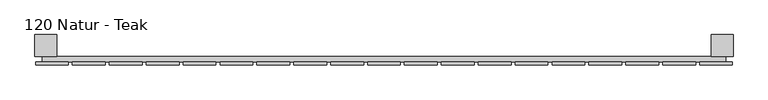
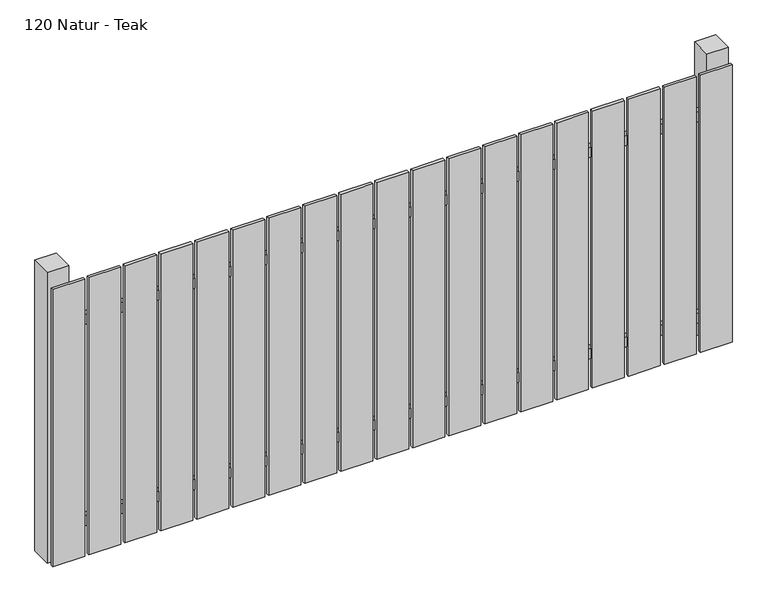
"""IFC4 building model written with IfcOpenShell, lengths in millimetres: railing geometry, 120 Natur - Teak."""

from ifc_helpers import new_model, si_unit, frame, origin, origin_with_axes, place, context, project, spatial, polyline, outline, extrude, source, transform, mapped, element, save


def railing_120_natur_teak_fbdc5f5d(model_context):
    return source(origin(), model_context, "Body", "SweptSolid", [
        extrude(outline(polyline([(11087.4299228, -88939.0267127), (11087.4299228, -88919.0267127), (13587.4299228, -88919.0267127), (13587.4299228, -88939.0267127), (11087.4299228, -88939.0267127)])), frame((0.0, 0.0, 110.0), z_axis=(0.0, 0.0, 1.0), x_axis=(1.0, 0.0, 0.0)), (0.0, 0.0, 1.0), 40.0),
        extrude(outline(polyline([(11087.4299228, -88939.0267127), (11087.4299228, -88919.0267127), (13587.4299228, -88919.0267127), (13587.4299228, -88939.0267127), (11087.4299228, -88939.0267127)])), frame((0.0, 0.0, 910.0), z_axis=(0.0, 0.0, 1.0), x_axis=(1.0, 0.0, 0.0)), (0.0, 0.0, 1.0), 40.0),
        extrude(outline(polyline([(13492.4299228, -88950.5267127), (13492.4299228, -88939.5267127), (13612.4299228, -88939.5267127), (13612.4299228, -88950.5267127), (13492.4299228, -88950.5267127)])), origin_with_axes(), (0.0, 0.0, 1.0), 1100.0),
        extrude(outline(polyline([(13357.4299228, -88950.5267127), (13357.4299228, -88939.5267127), (13477.4299228, -88939.5267127), (13477.4299228, -88950.5267127), (13357.4299228, -88950.5267127)])), origin_with_axes(), (0.0, 0.0, 1.0), 1100.0),
        extrude(outline(polyline([(13222.4299228, -88950.5267127), (13222.4299228, -88939.5267127), (13342.4299228, -88939.5267127), (13342.4299228, -88950.5267127), (13222.4299228, -88950.5267127)])), origin_with_axes(), (0.0, 0.0, 1.0), 1100.0),
        extrude(outline(polyline([(13087.4299228, -88950.5267127), (13087.4299228, -88939.5267127), (13207.4299228, -88939.5267127), (13207.4299228, -88950.5267127), (13087.4299228, -88950.5267127)])), origin_with_axes(), (0.0, 0.0, 1.0), 1100.0),
        extrude(outline(polyline([(12952.4299228, -88950.5267127), (12952.4299228, -88939.5267127), (13072.4299228, -88939.5267127), (13072.4299228, -88950.5267127), (12952.4299228, -88950.5267127)])), origin_with_axes(), (0.0, 0.0, 1.0), 1100.0),
        extrude(outline(polyline([(12817.4299228, -88950.5267127), (12817.4299228, -88939.5267127), (12937.4299228, -88939.5267127), (12937.4299228, -88950.5267127), (12817.4299228, -88950.5267127)])), origin_with_axes(), (0.0, 0.0, 1.0), 1100.0),
        extrude(outline(polyline([(12682.4299228, -88950.5267127), (12682.4299228, -88939.5267127), (12802.4299228, -88939.5267127), (12802.4299228, -88950.5267127), (12682.4299228, -88950.5267127)])), origin_with_axes(), (0.0, 0.0, 1.0), 1100.0),
        extrude(outline(polyline([(12547.4299228, -88950.5267127), (12547.4299228, -88939.5267127), (12667.4299228, -88939.5267127), (12667.4299228, -88950.5267127), (12547.4299228, -88950.5267127)])), origin_with_axes(), (0.0, 0.0, 1.0), 1100.0),
        extrude(outline(polyline([(12412.4299228, -88950.5267127), (12412.4299228, -88939.5267127), (12532.4299228, -88939.5267127), (12532.4299228, -88950.5267127), (12412.4299228, -88950.5267127)])), origin_with_axes(), (0.0, 0.0, 1.0), 1100.0),
        extrude(outline(polyline([(12277.4299228, -88950.5267127), (12277.4299228, -88939.5267127), (12397.4299228, -88939.5267127), (12397.4299228, -88950.5267127), (12277.4299228, -88950.5267127)])), origin_with_axes(), (0.0, 0.0, 1.0), 1100.0),
        extrude(outline(polyline([(12142.4299228, -88950.5267127), (12142.4299228, -88939.5267127), (12262.4299228, -88939.5267127), (12262.4299228, -88950.5267127), (12142.4299228, -88950.5267127)])), origin_with_axes(), (0.0, 0.0, 1.0), 1100.0),
        extrude(outline(polyline([(12007.4299228, -88950.5267127), (12007.4299228, -88939.5267127), (12127.4299228, -88939.5267127), (12127.4299228, -88950.5267127), (12007.4299228, -88950.5267127)])), origin_with_axes(), (0.0, 0.0, 1.0), 1100.0),
        extrude(outline(polyline([(11872.4299228, -88950.5267127), (11872.4299228, -88939.5267127), (11992.4299228, -88939.5267127), (11992.4299228, -88950.5267127), (11872.4299228, -88950.5267127)])), origin_with_axes(), (0.0, 0.0, 1.0), 1100.0),
        extrude(outline(polyline([(11737.4299228, -88950.5267127), (11737.4299228, -88939.5267127), (11857.4299228, -88939.5267127), (11857.4299228, -88950.5267127), (11737.4299228, -88950.5267127)])), origin_with_axes(), (0.0, 0.0, 1.0), 1100.0),
        extrude(outline(polyline([(11602.4299228, -88950.5267127), (11602.4299228, -88939.5267127), (11722.4299228, -88939.5267127), (11722.4299228, -88950.5267127), (11602.4299228, -88950.5267127)])), origin_with_axes(), (0.0, 0.0, 1.0), 1100.0),
        extrude(outline(polyline([(11467.4299228, -88950.5267127), (11467.4299228, -88939.5267127), (11587.4299228, -88939.5267127), (11587.4299228, -88950.5267127), (11467.4299228, -88950.5267127)])), origin_with_axes(), (0.0, 0.0, 1.0), 1100.0),
        extrude(outline(polyline([(11332.4299228, -88950.5267127), (11332.4299228, -88939.5267127), (11452.4299228, -88939.5267127), (11452.4299228, -88950.5267127), (11332.4299228, -88950.5267127)])), origin_with_axes(), (0.0, 0.0, 1.0), 1100.0),
        extrude(outline(polyline([(11197.4299228, -88950.5267127), (11197.4299228, -88939.5267127), (11317.4299228, -88939.5267127), (11317.4299228, -88950.5267127), (11197.4299228, -88950.5267127)])), origin_with_axes(), (0.0, 0.0, 1.0), 1100.0),
        extrude(outline(polyline([(11062.4299228, -88950.5267127), (11062.4299228, -88939.5267127), (11182.4299228, -88939.5267127), (11182.4299228, -88950.5267127), (11062.4299228, -88950.5267127)])), origin_with_axes(), (0.0, 0.0, 1.0), 1100.0),
        extrude(outline(polyline([(13534.9299228, -88839.0267127), (13614.9299228, -88839.0267127), (13614.9299228, -88919.0267127), (13534.9299228, -88919.0267127), (13534.9299228, -88839.0267127)])), frame((0.0, 0.0, -4.0), z_axis=(0.0, 0.0, 1.0), x_axis=(1.0, 0.0, 0.0)), (0.0, 0.0, 1.0), 1154.0),
        extrude(outline(polyline([(11059.9299228, -88839.0267127), (11139.9299228, -88839.0267127), (11139.9299228, -88919.0267127), (11059.9299228, -88919.0267127), (11059.9299228, -88839.0267127)])), frame((0.0, 0.0, -4.0), z_axis=(0.0, 0.0, 1.0), x_axis=(1.0, 0.0, 0.0)), (0.0, 0.0, 1.0), 1154.0),
    ])


if __name__ == "__main__":
    model = new_model("IFC4")
    model_context = context("Model", 3, world=origin())
    ifc_project = project(units=[si_unit("LENGTHUNIT", "METRE", prefix="MILLI")], contexts=[model_context])
    site = spatial("IfcSite", under=ifc_project)
    building = spatial("IfcBuilding", under=site)
    placement = place(None, origin())
    railing_120_natur_teak_shape = railing_120_natur_teak_fbdc5f5d(model_context)
    element("IfcRailing", 1, ObjectType="120 Natur - Teak", at=placement, inside=building, context=model_context, shape_type="MappedRepresentation", body=[
        mapped(railing_120_natur_teak_shape, transform((0.0, 0.0, 0.0), x_axis=(1.0, 0.0, 0.0), y_axis=(0.0, 1.0, 0.0), z_axis=(0.0, 0.0, 1.0))),
    ])
    save(model, "model.ifc")
